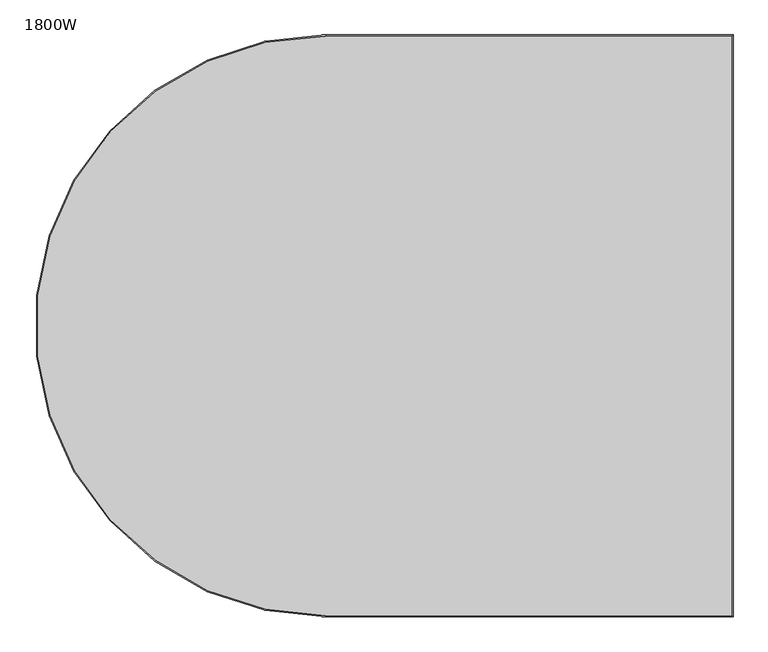
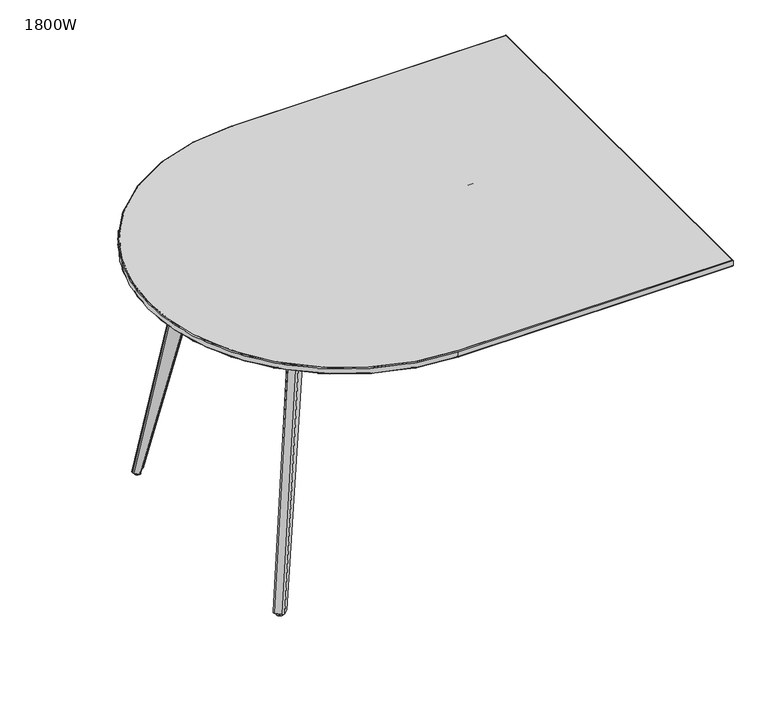
"""IFC4 building model written with IfcOpenShell, lengths in millimetres: furniture geometry, 1800W."""

from ifc_helpers import new_model, si_unit, point, frame, frame_2d, origin, place, context, project, spatial, polyline, circle_curve, ellipse_curve, trimmed, segment, composite_curve, outline, extrude, source, transform, mapped, element, save
from ifc_brep_helpers import plane_surface, cylinder_surface, revolved_surface, extruded_surface, advanced_brep


def furniture_1800w_015f33ed(model_context):
    return source(origin(), model_context, "Body", "SolidModel", [
        advanced_brep(
        [(350.1455768, -1082.8838605, 1023.0), (352.2668971, -1080.7625401, 1023.0), (352.2668971, -1073.6914723, 1023.0), (450.6568542, -975.3015152, 1023.0), (453.0, -969.6446609, 1023.0), (453.0, -750.0, 1023.0), (450.0, -750.0, 1023.0), (450.0, -969.6446609, 1023.0), (448.5355339, -973.1801948, 1023.0), (350.1455768, -1071.570152, 1023.0), (227.5771645, -1239.3933983, 11.0), (210.6066017, -1222.4228355, 11.0), (210.6066017, -1211.109127, 11.0), (226.3654565, -1195.3502722, 11.0), (228.4867769, -1197.4715925, 11.0), (212.7279221, -1213.2304474, 11.0), (212.7279221, -1220.3015152, 11.0), (229.6984848, -1237.2720779, 11.0), (236.7695526, -1237.2720779, 11.0), (252.5284075, -1221.5132231, 11.0), (254.6497278, -1223.6345435, 11.0), (238.890873, -1239.3933983, 11.0), (365.7372959, -1101.2332668, 1013.0), (348.7667332, -1084.2627041, 1013.0), (448.5355339, -973.1801948, 953.0), (412.9357324, -1008.7799963, 953.0), (378.5424527, -1043.173276, 914.5846719), (450.0, -969.6446609, 953.0), (450.0, -750.0, 953.0), (453.0, -750.0, 953.0), (453.0, -969.6446609, 953.0), (450.6568542, -975.3015152, 953.0), (380.6637731, -1045.2945964, 914.5846719), (415.0570528, -1010.9013167, 953.0), (350.8880535, -1082.1413837, 1013.0), (367.8586163, -1099.1119465, 1013.0), (374.9296841, -1099.1119465, 1013.0), (486.4142136, -987.627417, 1013.0), (486.4142136, -987.627417, 953.0), (439.0986833, -1034.9429472, 953.0), (404.7054036, -1069.3362269, 914.5846719), (487.0, -986.2132034, 1013.0), (487.0, -986.2132034, 953.0), (487.0, -750.0, 1013.0), (487.0, -750.0, 953.0), (490.0, -750.0, 1013.0), (490.0, -750.0, 953.0), (490.0, -986.2132034, 1013.0), (490.0, -986.2132034, 953.0), (488.5355339, -989.7487373, 1013.0), (488.5355339, -989.7487373, 953.0), (406.826724, -1071.4575473, 914.5846719), (441.2200037, -1037.0642676, 953.0), (377.0510044, -1101.2332668, 1013.0)],
        [
            (0, 1),
            (1, 2, circle_curve(frame((355.802431, -1077.2270062, 1023.0), z_axis=(0.0, 0.0, -1.0), x_axis=(1.0, 0.0, 0.0)), 5.0)),
            (2, 3),
            (3, 4, circle_curve(frame((445.0, -969.6446609, 1023.0), z_axis=(0.0, 0.0, 1.0), x_axis=(0.0, -1.0, 0.0)), 8.0)),
            (4, 5),
            (5, 6),
            (6, 7),
            (7, 8, circle_curve(frame((445.0, -969.6446609, 1023.0), z_axis=(0.0, 0.0, -1.0), x_axis=(0.7071067811865375, 0.7071067811865576, 0.0)), 5.0)),
            (8, 9),
            (9, 0, circle_curve(frame((355.802431, -1077.2270062, 1023.0), z_axis=(0.0, 0.0, 1.0), x_axis=(1.0, 0.0, 0.0)), 8.0)),
            (10, 11),
            (11, 12, circle_curve(frame((216.263456, -1216.7659813, 11.0), z_axis=(0.0, 0.0, -1.0), x_axis=(1.0, 0.0, 0.0)), 8.0)),
            (12, 13),
            (13, 14),
            (14, 15),
            (15, 16, circle_curve(frame((216.263456, -1216.7659813, 11.0), z_axis=(0.0, 0.0, 1.0), x_axis=(1.0, 0.0, 0.0)), 5.0)),
            (16, 17),
            (17, 18, circle_curve(frame((233.2340187, -1233.736544, 11.0), z_axis=(0.0, 0.0, 1.0), x_axis=(1.0, 0.0, 0.0)), 5.0)),
            (18, 19),
            (19, 20),
            (20, 21),
            (21, 10, circle_curve(frame((233.2340187, -1233.736544, 11.0), z_axis=(0.0, 0.0, -1.0), x_axis=(1.0, 0.0, 0.0)), 8.0)),
            (10, 22),
            (22, 23),
            (23, 11),
            (9, 12),
            (23, 0),
            (8, 24),
            (24, 25),
            (25, 26, circle_curve(frame((412.9357324, -1008.7799963, 903.0), z_axis=(0.7071067811865491, -0.7071067811865459, 0.0), x_axis=(-0.7071067811865459, -0.7071067811865491, 0.0)), 50.0)),
            (26, 13),
            (7, 27),
            (27, 24, circle_curve(frame((445.0, -969.6446609, 953.0), z_axis=(0.0, 0.0, -1.0), x_axis=(0.7071067811865375, 0.7071067811865576, 0.0)), 5.0)),
            (6, 28),
            (28, 27),
            (5, 29),
            (29, 28),
            (4, 30),
            (30, 29),
            (3, 31),
            (31, 30, circle_curve(frame((445.0, -969.6446609, 953.0), z_axis=(0.0, 0.0, 1.0), x_axis=(0.0, -1.0, 0.0)), 8.0)),
            (2, 15),
            (14, 32),
            (32, 33, circle_curve(frame((415.0570528, -1010.9013167, 903.0), z_axis=(-0.7071067811865491, 0.7071067811865459, 0.0), x_axis=(-0.7071067811865459, -0.7071067811865491, 0.0)), 50.0)),
            (33, 31),
            (1, 34),
            (34, 16),
            (34, 35),
            (35, 17),
            (35, 36, circle_curve(frame((371.3941502, -1095.5764126, 1013.0), z_axis=(0.0, 0.0, 1.0), x_axis=(1.0, 0.0, 0.0)), 5.0)),
            (36, 18),
            (36, 37),
            (37, 38),
            (38, 39),
            (39, 40, circle_curve(frame((439.0986833, -1034.9429472, 903.0), z_axis=(0.7071067811865491, -0.7071067811865459, 0.0), x_axis=(-0.7071067811865459, -0.7071067811865491, 0.0)), 50.0)),
            (40, 19),
            (37, 41, circle_curve(frame((485.0, -986.2132034, 1013.0), z_axis=(0.0, 0.0, 1.0), x_axis=(0.7071067811865439, 0.7071067811865511, 0.0)), 2.0)),
            (41, 42),
            (42, 38, circle_curve(frame((485.0, -986.2132034, 953.0), z_axis=(0.0, 0.0, -1.0), x_axis=(0.7071067811865439, 0.7071067811865511, 0.0)), 2.0)),
            (41, 43),
            (43, 44),
            (44, 42),
            (43, 45),
            (45, 46),
            (46, 44),
            (45, 47),
            (47, 48),
            (48, 46),
            (47, 49, circle_curve(frame((485.0, -986.2132034, 1013.0), z_axis=(0.0, 0.0, -1.0), x_axis=(0.0, -1.0, 0.0)), 5.0)),
            (49, 50),
            (50, 48, circle_curve(frame((485.0, -986.2132034, 953.0), z_axis=(0.0, 0.0, 1.0), x_axis=(0.0, -1.0, 0.0)), 5.0)),
            (20, 51),
            (51, 52, circle_curve(frame((441.2200037, -1037.0642676, 903.0), z_axis=(-0.7071067811865491, 0.7071067811865459, 0.0), x_axis=(-0.7071067811865459, -0.7071067811865491, 0.0)), 50.0)),
            (52, 50),
            (49, 53),
            (53, 21),
            (53, 22, circle_curve(frame((371.3941502, -1095.5764126, 1013.0), z_axis=(0.0, 0.0, -1.0), x_axis=(1.0, 0.0, 0.0)), 8.0)),
            (33, 25),
            (52, 39),
            (26, 32),
            (40, 51),
            (34, 23),
        ],
        [
            plane_surface(frame((426.5029529, -977.0828335, 1023.0), z_axis=(0.0, 0.0, 1.0000000000000002), x_axis=(-0.7071067811865492, 0.7071067811865459, 0.0))),
            plane_surface(frame((370.6873629, -1032.8984235, 11.0), z_axis=(0.0, 0.0, -1.0000000000000002), x_axis=(-0.7071067811865492, 0.7071067811865459, 0.0))),
            plane_surface(frame((219.0918831, -1230.9081169, 11.0), z_axis=(-0.6940348267306308, -0.6940348267306341, 0.19139309958815692), x_axis=(-0.7071067811865492, 0.7071067811865459, 0.0))),
            extruded_surface(trimmed(circle_curve(frame((355.802431, -1077.2270062, 1023.0), z_axis=(0.0, 0.0, -1.0), x_axis=(1.0, 0.0, 0.0)), 8.0), [point((350.1455768, -1082.8838605, 1023.0))], [point((350.1455768, -1071.570152, 1023.0))], True, "CARTESIAN"), (-139.53897500000002, -139.53897510000002, -1012.0), 1031.060740750034),
            plane_surface(frame((329.5710678, -1092.1446609, 11.0), z_axis=(-0.7071067811865491, 0.707106781186546, 0.0), x_axis=(0.707106781186546, 0.7071067811865491, 0.0))),
            revolved_surface(polyline([(448.5355339059327, -966.1091269940672, 1023.0), (448.5355339059327, -966.1091269940672, 953.0)]), (445.0, -969.6446609, 11.0), (0.0, 0.0, 1.0)),
            plane_surface(frame((450.0, -859.8223305, 11.0), z_axis=(-1.0, 0.0, 0.0), x_axis=(0.0, 1.0, 0.0))),
            plane_surface(frame((451.5, -750.0, 11.0), z_axis=(0.0, 1.0, 0.0), x_axis=(1.0, 0.0, 0.0))),
            plane_surface(frame((453.0, -859.8223305, 11.0), z_axis=(1.0, 0.0, 0.0), x_axis=(0.0, -1.0, 0.0))),
            cylinder_surface(frame((445.0, -969.6446609, 11.0), z_axis=(0.0, 0.0, 1.0), x_axis=(0.0, -1.0, 0.0)), 8.0),
            plane_surface(frame((331.6923882, -1094.2659813, 11.0), z_axis=(0.7071067811865491, -0.707106781186546, 0.0), x_axis=(-0.707106781186546, -0.7071067811865491, 0.0))),
            extruded_surface(trimmed(circle_curve(frame((355.802431, -1077.2270062, 1023.0), z_axis=(0.0, 0.0, 1.0), x_axis=(1.0, 0.0, 0.0)), 5.0), [point((352.2668971, -1073.6914723, 1023.0))], [point((352.2668971, -1080.7625401, 1023.0))], True, "CARTESIAN"), (-139.53897500000002, -139.53897510000002, -1012.0), 1031.060740750034),
            plane_surface(frame((221.2132034, -1228.7867966, 11.0), z_axis=(0.6940348267306308, 0.6940348267306341, -0.19139309958815692), x_axis=(0.7071067811865492, -0.7071067811865459, 0.0))),
            extruded_surface(trimmed(circle_curve(frame((372.7729938, -1094.197569, 1023.0), z_axis=(0.0, 0.0, 1.0), x_axis=(1.0, 0.0, 0.0)), 5.0), [point((369.2374599, -1097.7331029, 1023.0))], [point((376.3085277, -1097.7331029, 1023.0))], True, "CARTESIAN"), (-139.5389751, -139.53897500000016, -1012.0), 1031.0607407500343),
            plane_surface(frame((361.5918831, -1112.4497475, 11.0), z_axis=(-0.7071067811865491, 0.7071067811865459, 0.0), x_axis=(0.7071067811865459, 0.7071067811865491, 0.0))),
            revolved_surface(polyline([(486.4142135623731, -984.7989898376269, 1013.0), (486.4142135623731, -984.7989898376269, 953.0)]), (485.0, -986.2132034, 11.0), (0.0, 0.0, 1.0)),
            plane_surface(frame((487.0, -868.1066017, 11.0), z_axis=(-1.0, 0.0, 0.0), x_axis=(0.0, 1.0, 0.0))),
            plane_surface(frame((488.5, -750.0, 11.0), z_axis=(0.0, 1.0, 0.0), x_axis=(1.0, 0.0, 0.0))),
            plane_surface(frame((490.0, -868.1066017, 11.0), z_axis=(1.0, 0.0, 0.0), x_axis=(0.0, -1.0, 0.0))),
            cylinder_surface(frame((485.0, -986.2132034, 11.0), z_axis=(0.0, 0.0, 1.0), x_axis=(0.0, -1.0, 0.0)), 5.0),
            plane_surface(frame((363.7132034, -1114.5710678, 11.0), z_axis=(0.7071067811865491, -0.7071067811865459, 0.0), x_axis=(-0.7071067811865459, -0.7071067811865491, 0.0))),
            extruded_surface(trimmed(circle_curve(frame((372.7729938, -1094.197569, 1023.0), z_axis=(0.0, 0.0, -1.0), x_axis=(1.0, 0.0, 0.0)), 8.0), [point((378.429848, -1099.8544232, 1023.0))], [point((367.1161395, -1099.8544232, 1023.0))], True, "CARTESIAN"), (-139.5389751, -139.53897500000016, -1012.0), 1031.0607407500343),
            plane_surface(frame((490.0, -1000.0, 953.0), z_axis=(0.0, 0.0, -1.0), x_axis=(-1.0, 0.0, 0.0))),
            plane_surface(frame((272.1248917, -1241.5147186, 9.7975778), z_axis=(0.687865593883783, 0.6878655938837862, -0.23169343862487052), x_axis=(-0.7071067811865492, 0.7071067811865459, 0.0))),
            revolved_surface(polyline([(379.70171374067274, -1046.2566557593275, 903.0), (377.58039334067263, -1044.1353353593274, 903.0)]), (395.2580629, -991.1023268, 903.0), (0.7071067811865491, -0.7071067811865459, 0.0)),
            revolved_surface(polyline([(405.8646646406728, -1072.4196066593274, 903.0), (403.7433442406727, -1070.2982862593274, 903.0)]), (395.2580629, -991.1023268, 903.0), (0.7071067811865491, -0.7071067811865459, 0.0)),
            plane_surface(frame((458.0, -750.0, 1013.0), z_axis=(0.0, 0.0, 1.0), x_axis=(0.0, -1.0, 0.0))),
            plane_surface(frame((346.6100429, -1086.4193944, 1025.0), z_axis=(0.7071067811865482, -0.7071067811865468, 0.0), x_axis=(0.0, 0.0, -1.0))),
        ],
        [
            (0, [[1, 2, 3, 4, 5, 6, 7, 8, 9, 10]]),
            (1, [[11, 12, 13, 14, 15, 16, 17, 18, 19, 20, 21, 22]]),
            (2, [[23, 24, 25, -11]]),
            (3, [[26, -12, -25, 27, -10]]),
            (4, [[28, 29, 30, 31, -13, -26, -9]]),
            (5, [[32, 33, -28, -8]]),
            (6, [[34, 35, -32, -7]]),
            (7, [[36, 37, -34, -6]]),
            (8, [[38, 39, -36, -5]]),
            (9, [[40, 41, -38, -4]]),
            (10, [[42, -15, 43, 44, 45, -40, -3]]),
            (11, [[46, 47, -16, -42, -2]]),
            (12, [[-47, 48, 49, -17]]),
            (13, [[-49, 50, 51, -18]]),
            (14, [[-51, 52, 53, 54, 55, 56, -19]]),
            (15, [[-53, 57, 58, 59]]),
            (16, [[-58, 60, 61, 62]]),
            (17, [[-61, 63, 64, 65]]),
            (18, [[-64, 66, 67, 68]]),
            (19, [[-67, 69, 70, 71]]),
            (20, [[72, 73, 74, -70, 75, 76, -21]]),
            (21, [[-76, 77, -23, -22]]),
            (22, [[-39, -41, -45, 78, -29, -33, -35, -37]]),
            (22, [[-62, -65, -68, -71, -74, 79, -54, -59]]),
            (23, [[-43, -14, -31, 80]]),
            (23, [[-72, -20, -56, 81]]),
            (24, [[-30, -78, -44, -80]]),
            (25, [[-55, -79, -73, -81]]),
            (26, [[-24, -77, -75, -69, -66, -63, -60, -57, -52, -50, -48, 82]]),
            (27, [[-46, -1, -27, -82]]),
        ],
    ),
        advanced_brep(
        [(238.1837662, -1211.8162338, 8.0), (238.1837662, -1211.8162338, 1.0), (221.2132034, -1228.7867966, 1.0), (221.2132034, -1228.7867966, 8.0), (234.8247228, -1215.1752772, 8.0), (224.5722469, -1225.4277531, 8.0), (233.5820244, -1216.4179756, 11.0), (225.8149452, -1224.1850548, 11.0), (229.6984848, -1220.3015152, 11.0), (237.4766594, -1212.5233406, 0.0), (229.6984848, -1220.3015152, 0.0), (221.9203102, -1228.0796898, 0.0)],
        [
            (0, 1),
            (1, 2, circle_curve(frame((229.6984848, -1220.3015152, 1.0), z_axis=(0.0, 0.0, 1.0), x_axis=(-0.7071067811865459, -0.7071067811865491, 0.0)), 12.0)),
            (2, 3),
            (3, 0, circle_curve(frame((229.6984848, -1220.3015152, 8.0), z_axis=(0.0, 0.0, -1.0), x_axis=(-0.7071067811865459, -0.7071067811865491, 0.0)), 12.0)),
            (2, 1, circle_curve(frame((229.6984848, -1220.3015152, 1.0), z_axis=(0.0, 0.0, 1.0), x_axis=(-0.7071067811865459, -0.7071067811865491, 0.0)), 12.0)),
            (0, 3, circle_curve(frame((229.6984848, -1220.3015152, 8.0), z_axis=(0.0, 0.0, -1.0), x_axis=(-0.7071067811865459, -0.7071067811865491, 0.0)), 12.0)),
            (4, 0),
            (3, 5),
            (5, 4, circle_curve(frame((229.6984848, -1220.3015152, 8.0), z_axis=(0.0, 0.0, -1.0), x_axis=(-0.7071067811865459, -0.7071067811865491, 0.0)), 7.2495952)),
            (4, 5, circle_curve(frame((229.6984848, -1220.3015152, 8.0), z_axis=(0.0, 0.0, -1.0), x_axis=(-0.7071067811865459, -0.7071067811865491, 0.0)), 7.2495952)),
            (6, 4),
            (5, 7),
            (7, 6, circle_curve(frame((229.6984848, -1220.3015152, 11.0), z_axis=(0.0, 0.0, -1.0), x_axis=(-0.7071067811865459, -0.7071067811865491, 0.0)), 5.4921544)),
            (6, 7, circle_curve(frame((229.6984848, -1220.3015152, 11.0), z_axis=(0.0, 0.0, -1.0), x_axis=(-0.7071067811865459, -0.7071067811865491, 0.0)), 5.4921544)),
            (8, 6),
            (7, 8),
            (9, 10),
            (10, 11),
            (11, 9, circle_curve(frame((229.6984848, -1220.3015152, 0.0), z_axis=(0.0, 0.0, -1.0), x_axis=(-0.7071067811865459, -0.7071067811865491, 0.0)), 11.0)),
            (9, 11, circle_curve(frame((229.6984848, -1220.3015152, 0.0), z_axis=(0.0, 0.0, -1.0), x_axis=(-0.7071067811865459, -0.7071067811865491, 0.0)), 11.0)),
            (1, 9, circle_curve(frame((237.4766594, -1212.5233406, 1.0), z_axis=(-0.7071067811865515, 0.7071067811865436, 0.0), x_axis=(0.7071067811865436, 0.7071067811865515, 0.0)), 1.0)),
            (11, 2, circle_curve(frame((221.9203102, -1228.0796898, 1.0), z_axis=(-0.7071067811865491, 0.7071067811865459, 0.0), x_axis=(-0.7071067811865459, -0.7071067811865491, 0.0)), 1.0)),
        ],
        [
            cylinder_surface(frame((229.6984848, -1220.3015152, -11.0819101), z_axis=(0.0, 0.0, 1.0), x_axis=(-0.7071067811865459, -0.7071067811865491, 0.0)), 12.0),
            plane_surface(frame((229.6984848, -1220.3015152, 8.0), z_axis=(0.0, 0.0, 1.0), x_axis=(-0.7071067811865459, -0.7071067811865491, 0.0))),
            revolved_surface(polyline([(224.5722469, -1225.4277531, 8.0), (225.8149452, -1224.1850548, 11.0)]), (229.6984848, -1220.3015152, -11.0819101), (0.0, 0.0, 1.0)),
            plane_surface(frame((229.6984848, -1220.3015152, 11.0), z_axis=(0.0, 0.0, 1.0), x_axis=(-0.7071067811865459, -0.7071067811865491, 0.0))),
            plane_surface(frame((229.6984848, -1220.3015152, 0.0), z_axis=(0.0, 0.0, -1.0), x_axis=(-0.7071067811865459, -0.7071067811865491, 0.0))),
            revolved_surface(trimmed(ellipse_curve(frame((221.9203102, -1228.0796898, 1.0), z_axis=(-0.7071067811865491, 0.7071067811865459, 0.0), x_axis=(-0.7071067811865459, -0.7071067811865491, 0.0)), 1.0, 1.0), [point((221.9203102, -1228.0796898, 0.0))], [point((221.2132034, -1228.7867966, 1.0))], True, "CARTESIAN"), (229.6984848, -1220.3015152, -11.0819101), (0.0, 0.0, 1.0)),
        ],
        [
            (0, [[1, 2, 3, 4]]),
            (0, [[-3, 5, -1, 6]]),
            (1, [[7, -4, 8, 9]]),
            (1, [[-8, -6, -7, 10]]),
            (2, [[11, -9, 12, 13]]),
            (2, [[-12, -10, -11, 14]]),
            (3, [[15, -13, 16]]),
            (3, [[-16, -14, -15]]),
            (4, [[17, 18, 19]]),
            (4, [[-18, -17, 20]]),
            (5, [[21, -19, 22, -2]]),
            (5, [[-22, -20, -21, -5]]),
        ],
    ),
        extrude(outline(composite_curve([segment(polyline([(74.548028, 0.0), (74.5477459, -1.5), (0.0994088, -1.5)]), True, "CONTINUOUS"), segment(trimmed(circle_curve(frame_2d((0.0994088, -3.0)), 1.5), [point((0.0994088, -1.5))], [point((-1.3949484, -3.1299876))], True, "CARTESIAN"), True, "CONTINUOUS"), segment(polyline([(-1.3949484, -3.1299876), (0.1703247, -21.1245974), (-1.3240324, -21.254585), (-2.8893055, -3.2599753)]), True, "CONTINUOUS"), segment(trimmed(circle_curve(frame_2d((0.0994088, -3.0)), 3.0), [point((-2.8893055, -3.2599753))], [point((0.0994088, 1e-07))], False, "CARTESIAN"), True, "CONTINUOUS"), segment(polyline([(0.0994088, 1e-07), (74.548028, 0.0)]), True, "CONTINUOUS")], self_intersect=False)), frame((227.619512, -301.6611426, 14.8957476), z_axis=(0.7071067811865491, 0.7071067811865459, 0.0), x_axis=(-0.0612767651045797, 0.06127676510457999, 0.996238082044968)), (0.0, 0.0, 1.0), 34.0),
        extrude(outline(polyline([(236.7910648, 0.0), (236.7910648, -12.0), (204.7910648, -12.0), (204.7910648, -20.0), (201.7910648, -20.0), (201.7910648, -6.0005467), (193.7809085, -6.0005467), (193.7809085, -20.0), (190.7073419, -20.0), (190.7073419, -5.4412143), (188.2821866, -3.0005467), (186.7910648, -3.0005467), (186.7910648, 0.0), (236.7910648, 0.0)])), frame((621.2040941, -352.8375364, 1025.0), z_axis=(-0.7071067811865459, 0.7071067811865492, 0.0), x_axis=(-0.7071067811865492, -0.7071067811865459, 0.0)), (0.0, 0.0, 1.0), 100.0),
        extrude(outline(composite_curve([segment(trimmed(circle_curve(frame_2d((485.0, -513.7867966)), 2.0), [point((486.4142136, -512.372583))], [point((487.0, -513.7867966))], False, "CARTESIAN"), True, "CONTINUOUS"), segment(polyline([(487.0, -513.7867966), (487.0, -750.0), (453.0, -750.0), (453.0, -530.3553391)]), True, "CONTINUOUS"), segment(trimmed(circle_curve(frame_2d((445.0, -530.3553391)), 8.0), [point((453.0, -530.3553391))], [point((450.6568542, -524.6984848))], True, "CARTESIAN"), True, "CONTINUOUS"), segment(polyline([(450.6568542, -524.6984848), (350.8869021, -424.9285327)]), True, "CONTINUOUS"), segment(trimmed(circle_curve(frame_2d((354.422436, -421.3929988)), 5.0), [point((350.8869021, -424.9285327))], [point((350.8869021, -417.8574648))], False, "CARTESIAN"), True, "CONTINUOUS"), segment(polyline([(350.8869021, -417.8574648), (367.8574648, -400.8869021)]), True, "CONTINUOUS"), segment(trimmed(circle_curve(frame_2d((371.3929988, -404.422436)), 5.0), [point((367.8574648, -400.8869021))], [point((374.9285327, -400.8869021))], False, "CARTESIAN"), True, "CONTINUOUS"), segment(polyline([(374.9285327, -400.8869021), (486.4142136, -512.372583)]), True, "CONTINUOUS")], self_intersect=False)), frame((0.0, 0.0, 958.0), z_axis=(0.0, 0.0, 1.0), x_axis=(1.0, 0.0, 0.0)), (0.0, 0.0, 1.0), 55.0),
        advanced_brep(
        [(350.1455768, -417.1161395, 1023.0), (350.1455768, -428.429848, 1023.0), (448.5355339, -526.8198052, 1023.0), (450.0, -530.3553391, 1023.0), (450.0, -750.0, 1023.0), (453.0, -750.0, 1023.0), (453.0, -530.3553391, 1023.0), (450.6568542, -524.6984848, 1023.0), (352.2668971, -426.3085277, 1023.0), (352.2668971, -419.2374599, 1023.0), (227.5771645, -260.6066017, 11.0), (238.890873, -260.6066017, 11.0), (254.6497278, -276.3654565, 11.0), (252.5284075, -278.4867769, 11.0), (236.7695526, -262.7279221, 11.0), (229.6984848, -262.7279221, 11.0), (212.7279221, -279.6984848, 11.0), (212.7279221, -286.7695526, 11.0), (228.4867769, -302.5284075, 11.0), (226.3654565, -304.6497278, 11.0), (210.6066017, -288.890873, 11.0), (210.6066017, -277.5771645, 11.0), (348.7667332, -415.7372959, 1013.0), (365.7372959, -398.7667332, 1013.0), (378.5424527, -456.826724, 914.5846719), (412.9357324, -491.2200037, 953.0), (448.5355339, -526.8198052, 953.0), (450.0, -530.3553391, 953.0), (450.0, -750.0, 953.0), (453.0, -750.0, 953.0), (453.0, -530.3553391, 953.0), (450.6568542, -524.6984848, 953.0), (415.0570528, -489.0986833, 953.0), (380.6637731, -454.7054036, 914.5846719), (350.8880535, -417.8586163, 1013.0), (367.8586163, -400.8880535, 1013.0), (374.9296841, -400.8880535, 1013.0), (404.7054036, -430.6637731, 914.5846719), (439.0986833, -465.0570528, 953.0), (486.4142136, -512.372583, 953.0), (486.4142136, -512.372583, 1013.0), (487.0, -513.7867966, 953.0), (487.0, -513.7867966, 1013.0), (487.0, -750.0, 953.0), (487.0, -750.0, 1013.0), (490.0, -750.0, 953.0), (490.0, -750.0, 1013.0), (490.0, -513.7867966, 953.0), (490.0, -513.7867966, 1013.0), (488.5355339, -510.2512627, 953.0), (488.5355339, -510.2512627, 1013.0), (377.0510044, -398.7667332, 1013.0), (441.2200037, -462.9357324, 953.0), (406.826724, -428.5424527, 914.5846719)],
        [
            (0, 1, circle_curve(frame((355.802431, -422.7729938, 1023.0), z_axis=(0.0, 0.0, 1.0), x_axis=(1.0, 0.0, 0.0)), 8.0)),
            (1, 2),
            (2, 3, circle_curve(frame((445.0, -530.3553391, 1023.0), z_axis=(0.0, 0.0, -1.0), x_axis=(0.7071067811865375, -0.7071067811865576, 0.0)), 5.0)),
            (3, 4),
            (4, 5),
            (5, 6),
            (6, 7, circle_curve(frame((445.0, -530.3553391, 1023.0), z_axis=(0.0, 0.0, 1.0), x_axis=(0.0, 1.0, 0.0)), 8.0)),
            (7, 8),
            (8, 9, circle_curve(frame((355.802431, -422.7729938, 1023.0), z_axis=(0.0, 0.0, -1.0), x_axis=(1.0, 0.0, 0.0)), 5.0)),
            (9, 0),
            (10, 11, circle_curve(frame((233.2340187, -266.263456, 11.0), z_axis=(0.0, 0.0, -1.0), x_axis=(1.0, 0.0, 0.0)), 8.0)),
            (11, 12),
            (12, 13),
            (13, 14),
            (14, 15, circle_curve(frame((233.2340187, -266.263456, 11.0), z_axis=(0.0, 0.0, 1.0), x_axis=(1.0, 0.0, 0.0)), 5.0)),
            (15, 16),
            (16, 17, circle_curve(frame((216.263456, -283.2340187, 11.0), z_axis=(0.0, 0.0, 1.0), x_axis=(1.0, 0.0, 0.0)), 5.0)),
            (17, 18),
            (18, 19),
            (19, 20),
            (20, 21, circle_curve(frame((216.263456, -283.2340187, 11.0), z_axis=(0.0, 0.0, -1.0), x_axis=(1.0, 0.0, 0.0)), 8.0)),
            (21, 10),
            (21, 22),
            (22, 23),
            (23, 10),
            (0, 22),
            (20, 1),
            (19, 24),
            (24, 25, circle_curve(frame((412.9357324, -491.2200037, 903.0), z_axis=(0.7071067811865491, 0.7071067811865459, 0.0), x_axis=(-0.7071067811865459, 0.7071067811865491, 0.0)), 50.0)),
            (25, 26),
            (26, 2),
            (26, 27, circle_curve(frame((445.0, -530.3553391, 953.0), z_axis=(0.0, 0.0, -1.0), x_axis=(0.7071067811865375, -0.7071067811865576, 0.0)), 5.0)),
            (27, 3),
            (27, 28),
            (28, 4),
            (28, 29),
            (29, 5),
            (29, 30),
            (30, 6),
            (30, 31, circle_curve(frame((445.0, -530.3553391, 953.0), z_axis=(0.0, 0.0, 1.0), x_axis=(0.0, 1.0, 0.0)), 8.0)),
            (31, 7),
            (31, 32),
            (32, 33, circle_curve(frame((415.0570528, -489.0986833, 903.0), z_axis=(-0.7071067811865491, -0.7071067811865459, 0.0), x_axis=(-0.7071067811865459, 0.7071067811865491, 0.0)), 50.0)),
            (33, 18),
            (17, 8),
            (16, 34),
            (34, 9),
            (15, 35),
            (35, 34),
            (14, 36),
            (36, 35, circle_curve(frame((371.3941502, -404.4235874, 1013.0), z_axis=(0.0, 0.0, 1.0), x_axis=(1.0, 0.0, 0.0)), 5.0)),
            (13, 37),
            (37, 38, circle_curve(frame((439.0986833, -465.0570528, 903.0), z_axis=(0.7071067811865491, 0.7071067811865459, 0.0), x_axis=(-0.7071067811865459, 0.7071067811865491, 0.0)), 50.0)),
            (38, 39),
            (39, 40),
            (40, 36),
            (39, 41, circle_curve(frame((485.0, -513.7867966, 953.0), z_axis=(0.0, 0.0, -1.0), x_axis=(0.7071067811865439, -0.7071067811865511, 0.0)), 2.0)),
            (41, 42),
            (42, 40, circle_curve(frame((485.0, -513.7867966, 1013.0), z_axis=(0.0, 0.0, 1.0), x_axis=(0.7071067811865439, -0.7071067811865511, 0.0)), 2.0)),
            (41, 43),
            (43, 44),
            (44, 42),
            (43, 45),
            (45, 46),
            (46, 44),
            (45, 47),
            (47, 48),
            (48, 46),
            (47, 49, circle_curve(frame((485.0, -513.7867966, 953.0), z_axis=(0.0, 0.0, 1.0), x_axis=(0.0, 1.0, 0.0)), 5.0)),
            (49, 50),
            (50, 48, circle_curve(frame((485.0, -513.7867966, 1013.0), z_axis=(0.0, 0.0, -1.0), x_axis=(0.0, 1.0, 0.0)), 5.0)),
            (11, 51),
            (51, 50),
            (49, 52),
            (52, 53, circle_curve(frame((441.2200037, -462.9357324, 903.0), z_axis=(-0.7071067811865491, -0.7071067811865459, 0.0), x_axis=(-0.7071067811865459, 0.7071067811865491, 0.0)), 50.0)),
            (53, 12),
            (23, 51, circle_curve(frame((371.3941502, -404.4235874, 1013.0), z_axis=(0.0, 0.0, -1.0), x_axis=(1.0, 0.0, 0.0)), 8.0)),
            (25, 32),
            (38, 52),
            (33, 24),
            (53, 37),
            (22, 34),
        ],
        [
            plane_surface(frame((426.5029529, -522.9171665, 1023.0), z_axis=(0.0, 0.0, 1.0000000000000002), x_axis=(-0.7071067811865492, -0.7071067811865459, 0.0))),
            plane_surface(frame((370.6873629, -467.1015765, 11.0), z_axis=(0.0, 0.0, -1.0000000000000002), x_axis=(-0.7071067811865492, -0.7071067811865459, 0.0))),
            plane_surface(frame((219.0918831, -269.0918831, 11.0), z_axis=(-0.6940348267306308, 0.6940348267306341, 0.19139309958815692), x_axis=(-0.7071067811865492, -0.7071067811865459, 0.0))),
            extruded_surface(trimmed(circle_curve(frame((216.263456, -283.2340187, 11.0), z_axis=(0.0, 0.0, 1.0), x_axis=(1.0, 0.0, 0.0)), 8.0), [point((210.6066017, -277.5771645, 11.0))], [point((210.6066017, -288.890873, 11.0))], True, "CARTESIAN"), (139.53897500000002, -139.53897510000002, 1012.0), 1031.060740750034),
            plane_surface(frame((329.5710678, -407.8553391, 11.0), z_axis=(-0.7071067811865491, -0.707106781186546, 0.0), x_axis=(0.707106781186546, -0.7071067811865491, 0.0))),
            revolved_surface(polyline([(448.5355339059327, -533.8908730059328, 1023.0), (448.5355339059327, -533.8908730059328, 953.0)]), (445.0, -530.3553391, 11.0), (0.0, 0.0, 1.0)),
            plane_surface(frame((450.0, -640.1776695, 11.0), z_axis=(-1.0, 0.0, 0.0), x_axis=(0.0, -1.0, 0.0))),
            plane_surface(frame((451.5, -750.0, 11.0), z_axis=(0.0, -1.0, 0.0), x_axis=(1.0, 0.0, 0.0))),
            plane_surface(frame((453.0, -640.1776695, 11.0), z_axis=(1.0, 0.0, 0.0), x_axis=(0.0, 1.0, 0.0))),
            cylinder_surface(frame((445.0, -530.3553391, 11.0), z_axis=(0.0, 0.0, 1.0), x_axis=(0.0, 1.0, 0.0)), 8.0),
            plane_surface(frame((331.6923882, -405.7340187, 11.0), z_axis=(0.7071067811865491, 0.707106781186546, 0.0), x_axis=(-0.707106781186546, 0.7071067811865491, 0.0))),
            extruded_surface(trimmed(circle_curve(frame((216.263456, -283.2340187, 11.0), z_axis=(0.0, 0.0, -1.0), x_axis=(1.0, 0.0, 0.0)), 5.0), [point((212.7279221, -286.7695526, 11.0))], [point((212.7279221, -279.6984848, 11.0))], True, "CARTESIAN"), (139.53897500000002, -139.53897510000002, 1012.0), 1031.060740750034),
            plane_surface(frame((221.2132034, -271.2132034, 11.0), z_axis=(0.6940348267306308, -0.6940348267306341, -0.19139309958815692), x_axis=(0.7071067811865492, 0.7071067811865459, 0.0))),
            extruded_surface(trimmed(circle_curve(frame((233.2340187, -266.263456, 11.0), z_axis=(0.0, 0.0, -1.0), x_axis=(1.0, 0.0, 0.0)), 5.0), [point((229.6984848, -262.7279221, 11.0))], [point((236.7695526, -262.7279221, 11.0))], True, "CARTESIAN"), (139.5389751, -139.538975, 1012.0), 1031.060740750034),
            plane_surface(frame((361.5918831, -387.5502525, 11.0), z_axis=(-0.7071067811865491, -0.7071067811865459, 0.0), x_axis=(0.7071067811865459, -0.7071067811865491, 0.0))),
            revolved_surface(polyline([(486.4142135623731, -515.2010101623731, 1013.0), (486.4142135623731, -515.2010101623731, 953.0)]), (485.0, -513.7867966, 11.0), (0.0, 0.0, 1.0)),
            plane_surface(frame((487.0, -631.8933983, 11.0), z_axis=(-1.0, 0.0, 0.0), x_axis=(0.0, -1.0, 0.0))),
            plane_surface(frame((488.5, -750.0, 11.0), z_axis=(0.0, -1.0, 0.0), x_axis=(1.0, 0.0, 0.0))),
            plane_surface(frame((490.0, -631.8933983, 11.0), z_axis=(1.0, 0.0, 0.0), x_axis=(0.0, 1.0, 0.0))),
            cylinder_surface(frame((485.0, -513.7867966, 11.0), z_axis=(0.0, 0.0, 1.0), x_axis=(0.0, 1.0, 0.0)), 5.0),
            plane_surface(frame((363.7132034, -385.4289322, 11.0), z_axis=(0.7071067811865491, 0.7071067811865459, 0.0), x_axis=(-0.7071067811865459, 0.7071067811865491, 0.0))),
            extruded_surface(trimmed(circle_curve(frame((233.2340187, -266.263456, 11.0), z_axis=(0.0, 0.0, 1.0), x_axis=(1.0, 0.0, 0.0)), 8.0), [point((238.890873, -260.6066017, 11.0))], [point((227.5771645, -260.6066017, 11.0))], True, "CARTESIAN"), (139.5389751, -139.538975, 1012.0), 1031.060740750034),
            plane_surface(frame((490.0, -500.0, 953.0), z_axis=(0.0, 0.0, -1.0), x_axis=(-1.0, 0.0, 0.0))),
            plane_surface(frame((272.1248917, -258.4852814, 9.7975778), z_axis=(0.687865593883783, -0.6878655938837862, -0.23169343862487052), x_axis=(-0.7071067811865492, -0.7071067811865459, 0.0))),
            revolved_surface(polyline([(379.70171374067274, -453.7433442406726, 903.0), (377.58039334067263, -455.8646646406727, 903.0)]), (395.2580629, -508.8976732, 903.0), (0.7071067811865491, 0.7071067811865459, 0.0)),
            revolved_surface(polyline([(405.8646646406728, -427.5803933406727, 903.0), (403.7433442406727, -429.70171374067274, 903.0)]), (395.2580629, -508.8976732, 903.0), (0.7071067811865491, 0.7071067811865459, 0.0)),
            plane_surface(frame((458.0, -750.0, 1013.0), z_axis=(0.0, 0.0, 1.0), x_axis=(0.0, 1.0, 0.0))),
            plane_surface(frame((346.6100429, -413.5806056, 1025.0), z_axis=(0.7071067811865482, 0.7071067811865468, 0.0), x_axis=(0.0, 0.0, -1.0))),
        ],
        [
            (0, [[1, 2, 3, 4, 5, 6, 7, 8, 9, 10]]),
            (1, [[11, 12, 13, 14, 15, 16, 17, 18, 19, 20, 21, 22]]),
            (2, [[-22, 23, 24, 25]]),
            (3, [[-1, 26, -23, -21, 27]]),
            (4, [[-2, -27, -20, 28, 29, 30, 31]]),
            (5, [[-3, -31, 32, 33]]),
            (6, [[-4, -33, 34, 35]]),
            (7, [[-5, -35, 36, 37]]),
            (8, [[-6, -37, 38, 39]]),
            (9, [[-7, -39, 40, 41]]),
            (10, [[-8, -41, 42, 43, 44, -18, 45]]),
            (11, [[-9, -45, -17, 46, 47]]),
            (12, [[-16, 48, 49, -46]]),
            (13, [[-15, 50, 51, -48]]),
            (14, [[-14, 52, 53, 54, 55, 56, -50]]),
            (15, [[57, 58, 59, -55]]),
            (16, [[60, 61, 62, -58]]),
            (17, [[63, 64, 65, -61]]),
            (18, [[66, 67, 68, -64]]),
            (19, [[69, 70, 71, -67]]),
            (20, [[-12, 72, 73, -70, 74, 75, 76]]),
            (21, [[-11, -25, 77, -72]]),
            (22, [[-36, -34, -32, -30, 78, -42, -40, -38]]),
            (22, [[-57, -54, 79, -74, -69, -66, -63, -60]]),
            (23, [[80, -28, -19, -44]]),
            (23, [[81, -52, -13, -76]]),
            (24, [[-80, -43, -78, -29]]),
            (25, [[-81, -75, -79, -53]]),
            (26, [[82, -49, -51, -56, -59, -62, -65, -68, -71, -73, -77, -24]]),
            (27, [[-82, -26, -10, -47]]),
        ],
    ),
        advanced_brep(
        [(238.1837662, -288.1837662, 8.0), (221.2132034, -271.2132034, 8.0), (221.2132034, -271.2132034, 1.0), (238.1837662, -288.1837662, 1.0), (234.8247228, -284.8247228, 8.0), (224.5722469, -274.5722469, 8.0), (233.5820244, -283.5820244, 11.0), (225.8149452, -275.8149452, 11.0), (229.6984848, -279.6984848, 11.0), (237.4766594, -287.4766594, 0.0), (221.9203102, -271.9203102, 0.0), (229.6984848, -279.6984848, 0.0)],
        [
            (0, 1, circle_curve(frame((229.6984848, -279.6984848, 8.0), z_axis=(0.0, 0.0, -1.0), x_axis=(-0.7071067811865459, 0.7071067811865491, 0.0)), 12.0)),
            (1, 2),
            (2, 3, circle_curve(frame((229.6984848, -279.6984848, 1.0), z_axis=(0.0, 0.0, 1.0), x_axis=(-0.7071067811865459, 0.7071067811865491, 0.0)), 12.0)),
            (3, 0),
            (1, 0, circle_curve(frame((229.6984848, -279.6984848, 8.0), z_axis=(0.0, 0.0, -1.0), x_axis=(-0.7071067811865459, 0.7071067811865491, 0.0)), 12.0)),
            (3, 2, circle_curve(frame((229.6984848, -279.6984848, 1.0), z_axis=(0.0, 0.0, 1.0), x_axis=(-0.7071067811865459, 0.7071067811865491, 0.0)), 12.0)),
            (4, 5, circle_curve(frame((229.6984848, -279.6984848, 8.0), z_axis=(0.0, 0.0, -1.0), x_axis=(-0.7071067811865459, 0.7071067811865491, 0.0)), 7.2495952)),
            (5, 1),
            (0, 4),
            (5, 4, circle_curve(frame((229.6984848, -279.6984848, 8.0), z_axis=(0.0, 0.0, -1.0), x_axis=(-0.7071067811865459, 0.7071067811865491, 0.0)), 7.2495952)),
            (6, 7, circle_curve(frame((229.6984848, -279.6984848, 11.0), z_axis=(0.0, 0.0, -1.0), x_axis=(-0.7071067811865459, 0.7071067811865491, 0.0)), 5.4921544)),
            (7, 5),
            (4, 6),
            (7, 6, circle_curve(frame((229.6984848, -279.6984848, 11.0), z_axis=(0.0, 0.0, -1.0), x_axis=(-0.7071067811865459, 0.7071067811865491, 0.0)), 5.4921544)),
            (8, 7),
            (6, 8),
            (9, 10, circle_curve(frame((229.6984848, -279.6984848, 0.0), z_axis=(0.0, 0.0, -1.0), x_axis=(-0.7071067811865459, 0.7071067811865491, 0.0)), 11.0)),
            (10, 11),
            (11, 9),
            (10, 9, circle_curve(frame((229.6984848, -279.6984848, 0.0), z_axis=(0.0, 0.0, -1.0), x_axis=(-0.7071067811865459, 0.7071067811865491, 0.0)), 11.0)),
            (2, 10, circle_curve(frame((221.9203102, -271.9203102, 1.0), z_axis=(-0.7071067811865491, -0.7071067811865459, 0.0), x_axis=(-0.7071067811865459, 0.7071067811865491, 0.0)), 1.0)),
            (9, 3, circle_curve(frame((237.4766594, -287.4766594, 1.0), z_axis=(-0.7071067811865515, -0.7071067811865436, 0.0), x_axis=(0.7071067811865436, -0.7071067811865515, 0.0)), 1.0)),
        ],
        [
            cylinder_surface(frame((229.6984848, -279.6984848, -11.0819101), z_axis=(0.0, 0.0, 1.0), x_axis=(-0.7071067811865459, 0.7071067811865491, 0.0)), 12.0),
            plane_surface(frame((229.6984848, -279.6984848, 8.0), z_axis=(0.0, 0.0, 1.0), x_axis=(-0.7071067811865459, 0.7071067811865491, 0.0))),
            revolved_surface(polyline([(224.5722469, -274.5722469, 8.0), (225.8149452, -275.8149452, 11.0)]), (229.6984848, -279.6984848, -11.0819101), (0.0, 0.0, 1.0)),
            plane_surface(frame((229.6984848, -279.6984848, 11.0), z_axis=(0.0, 0.0, 1.0), x_axis=(-0.7071067811865459, 0.7071067811865491, 0.0))),
            plane_surface(frame((229.6984848, -279.6984848, 0.0), z_axis=(0.0, 0.0, -1.0), x_axis=(-0.7071067811865459, 0.7071067811865491, 0.0))),
            revolved_surface(trimmed(ellipse_curve(frame((221.9203102, -271.9203102, 1.0), z_axis=(0.7071067811865491, 0.7071067811865459, 0.0), x_axis=(-0.7071067811865459, 0.7071067811865491, 0.0)), 1.0, 1.0), [point((221.9203102, -271.9203102, 0.0))], [point((221.2132034, -271.2132034, 1.0))], True, "CARTESIAN"), (229.6984848, -279.6984848, -11.0819101), (0.0, 0.0, 1.0)),
        ],
        [
            (0, [[1, 2, 3, 4]]),
            (0, [[5, -4, 6, -2]]),
            (1, [[7, 8, -1, 9]]),
            (1, [[10, -9, -5, -8]]),
            (2, [[11, 12, -7, 13]]),
            (2, [[14, -13, -10, -12]]),
            (3, [[15, -11, 16]]),
            (3, [[-16, -14, -15]]),
            (4, [[17, 18, 19]]),
            (4, [[20, -19, -18]]),
            (5, [[-3, 21, -17, 22]]),
            (5, [[-6, -22, -20, -21]]),
        ],
    ),
        extrude(outline(composite_curve([segment(polyline([(-580.0, 1013.0), (-550.0, 1013.0)]), True, "CONTINUOUS"), segment(trimmed(circle_curve(frame_2d((-550.0, 1008.0)), 5.0), [point((-550.0, 1013.0))], [point((-545.0, 1008.0))], False, "CARTESIAN"), True, "CONTINUOUS"), segment(polyline([(-545.0, 1008.0), (-545.0, 968.0)]), True, "CONTINUOUS"), segment(trimmed(circle_curve(frame_2d((-550.0, 968.0)), 5.0), [point((-545.0, 968.0))], [point((-550.0, 963.0))], False, "CARTESIAN"), True, "CONTINUOUS"), segment(polyline([(-550.0, 963.0), (-580.0, 963.0)]), True, "CONTINUOUS"), segment(trimmed(circle_curve(frame_2d((-580.0, 968.0)), 5.0), [point((-580.0, 963.0))], [point((-585.0, 968.0))], False, "CARTESIAN"), True, "CONTINUOUS"), segment(polyline([(-585.0, 968.0), (-585.0, 1008.0)]), True, "CONTINUOUS"), segment(trimmed(circle_curve(frame_2d((-580.0, 1008.0)), 5.0), [point((-585.0, 1008.0))], [point((-580.0, 1013.0))], False, "CARTESIAN"), True, "CONTINUOUS")], self_intersect=False)), frame((490.0, 0.0, 0.0), z_axis=(1.0, 0.0, 0.0), x_axis=(0.0, 1.0, 0.0)), (0.0, 0.0, 1.0), 1020.0),
        extrude(outline(composite_curve([segment(trimmed(circle_curve(frame_2d((-920.0, 1008.0)), 5.0), [point((-920.0, 1013.0))], [point((-915.0, 1008.0))], False, "CARTESIAN"), True, "CONTINUOUS"), segment(polyline([(-915.0, 1008.0), (-915.0, 968.0)]), True, "CONTINUOUS"), segment(trimmed(circle_curve(frame_2d((-920.0, 968.0)), 5.0), [point((-915.0, 968.0))], [point((-920.0, 963.0))], False, "CARTESIAN"), True, "CONTINUOUS"), segment(polyline([(-920.0, 963.0), (-950.0, 963.0)]), True, "CONTINUOUS"), segment(trimmed(circle_curve(frame_2d((-950.0, 968.0)), 5.0), [point((-950.0, 963.0))], [point((-955.0, 968.0))], False, "CARTESIAN"), True, "CONTINUOUS"), segment(polyline([(-955.0, 968.0), (-955.0, 1008.0)]), True, "CONTINUOUS"), segment(trimmed(circle_curve(frame_2d((-950.0, 1008.0)), 5.0), [point((-955.0, 1008.0))], [point((-950.0, 1013.0))], False, "CARTESIAN"), True, "CONTINUOUS"), segment(polyline([(-950.0, 1013.0), (-920.0, 1013.0)]), True, "CONTINUOUS")], self_intersect=False)), frame((490.0, 0.0, 0.0), z_axis=(1.0, 0.0, 0.0), x_axis=(0.0, 1.0, 0.0)), (0.0, 0.0, 1.0), 1020.0),
        extrude(outline(composite_curve([segment(polyline([(750.0, -3.0), (1797.0, -3.0), (1797.0, -1497.0), (750.0, -1497.0)]), True, "CONTINUOUS"), segment(trimmed(circle_curve(frame_2d((750.0, -750.0)), 747.0), [point((750.0, -1497.0))], [point((750.0, -3.0))], False, "CARTESIAN"), True, "CONTINUOUS")], self_intersect=False)), frame((0.0, 0.0, 1025.0), z_axis=(0.0, 0.0, 1.0), x_axis=(1.0, 0.0, 0.0)), (0.0, 0.0, 1.0), 25.0),
        advanced_brep(
        [(1800.0, -1500.0, 1028.0), (1800.0, -1500.0, 1047.0), (750.0, -1500.0, 1047.0), (750.0, -1500.0, 1028.0), (1797.0, -1497.0, 1025.0), (750.0, -1497.0, 1025.0), (1797.0, -1497.0, 1050.0), (750.0, -1497.0, 1050.0), (750.0, 0.0, 1028.0), (750.0, 0.0, 1047.0), (750.0, -3.0, 1025.0), (750.0, -3.0, 1050.0), (1800.0, 0.0, 1047.0), (1800.0, 0.0, 1028.0), (1797.0, -3.0, 1025.0), (1797.0, -3.0, 1050.0)],
        [
            (0, 1),
            (1, 2),
            (2, 3),
            (3, 0),
            (4, 0, ellipse_curve(frame((1797.0, -1497.0, 1028.0), z_axis=(-0.7071067811865475, -0.7071067811865475, 0.0), x_axis=(0.7071067811865476, -0.7071067811865474, 0.0)), 4.2426407, 3.0)),
            (3, 5, circle_curve(frame((750.0, -1497.0, 1028.0), z_axis=(1.0, 0.0, 0.0), x_axis=(0.0, -1.0, 0.0)), 3.0)),
            (5, 4),
            (6, 4),
            (5, 7),
            (7, 6),
            (1, 6, ellipse_curve(frame((1797.0, -1497.0, 1047.0), z_axis=(-0.7071067811865475, -0.7071067811865475, 0.0), x_axis=(0.7071067811865476, -0.7071067811865474, 0.0)), 4.2426407, 3.0)),
            (7, 2, circle_curve(frame((750.0, -1497.0, 1047.0), z_axis=(1.0, 0.0, 0.0), x_axis=(0.0, -1.0, 0.0)), 3.0)),
            (8, 3, circle_curve(frame((750.0, -750.0, 1028.0), z_axis=(0.0, 0.0, 1.0), x_axis=(0.0, -1.0, 0.0)), 750.0)),
            (2, 9, circle_curve(frame((750.0, -750.0, 1047.0), z_axis=(0.0, 0.0, -1.0), x_axis=(0.0, -1.0, 0.0)), 750.0)),
            (9, 8),
            (10, 5, circle_curve(frame((750.0, -750.0, 1025.0), z_axis=(0.0, 0.0, 1.0), x_axis=(0.0, -1.0, 0.0)), 747.0)),
            (8, 10, circle_curve(frame((750.0, -3.0, 1028.0), z_axis=(-1.0, 0.0, 0.0), x_axis=(0.0, 1.0, 0.0)), 3.0)),
            (11, 7, circle_curve(frame((750.0, -750.0, 1050.0), z_axis=(0.0, 0.0, 1.0), x_axis=(0.0, -1.0, 0.0)), 747.0)),
            (10, 11),
            (11, 9, circle_curve(frame((750.0, -3.0, 1047.0), z_axis=(-1.0, 0.0, 0.0), x_axis=(0.0, 1.0, 0.0)), 3.0)),
            (9, 12),
            (12, 13),
            (13, 8),
            (13, 14, ellipse_curve(frame((1797.0, -3.0, 1028.0), z_axis=(-0.7071067811865475, 0.7071067811865475, 0.0), x_axis=(-0.7071067811865476, -0.7071067811865474, 0.0)), 4.2426407, 3.0)),
            (14, 10),
            (14, 15),
            (15, 11),
            (15, 12, ellipse_curve(frame((1797.0, -3.0, 1047.0), z_axis=(-0.7071067811865475, 0.7071067811865475, 0.0), x_axis=(-0.7071067811865476, -0.7071067811865474, 0.0)), 4.2426407, 3.0)),
            (12, 1),
            (0, 13),
            (4, 14),
            (6, 15),
        ],
        [
            plane_surface(frame((1800.0, -1500.0, 1047.0), z_axis=(0.0, -1.0, 0.0), x_axis=(-1.0, 0.0, 0.0))),
            cylinder_surface(frame((1800.0, -1497.0, 1028.0), z_axis=(1.0, 0.0, 0.0), x_axis=(0.0, -1.0, 0.0)), 3.0),
            plane_surface(frame((1797.0, -1497.0, 1025.0), z_axis=(0.0, 1.0, 0.0), x_axis=(-1.0, 0.0, 0.0))),
            cylinder_surface(frame((1800.0, -1497.0, 1047.0), z_axis=(1.0, 0.0, 0.0), x_axis=(0.0, -1.0, 0.0)), 3.0),
            cylinder_surface(frame((750.0, -750.0, 0.0), z_axis=(0.0, 0.0, -1.0), x_axis=(0.0, -1.0, 0.0)), 750.0),
            revolved_surface(trimmed(ellipse_curve(frame((750.0, -1497.0, 1028.0), z_axis=(1.0, 0.0, 0.0), x_axis=(0.0, -1.0, 0.0)), 3.0, 3.0), [point((750.0, -1500.0, 1028.0))], [point((750.0, -1497.0, 1025.0))], True, "CARTESIAN"), (750.0, -750.0, 0.0), (0.0, 0.0, -1.0)),
            revolved_surface(polyline([(750.0, -1497.0, 1025.0), (750.0, -1497.0, 1050.0)]), (750.0, -750.0, 0.0), (0.0, 0.0, -1.0)),
            revolved_surface(trimmed(ellipse_curve(frame((750.0, -1497.0, 1047.0), z_axis=(1.0, 0.0, 0.0), x_axis=(0.0, -1.0, 0.0)), 3.0, 3.0), [point((750.0, -1497.0, 1050.0))], [point((750.0, -1500.0, 1047.0))], True, "CARTESIAN"), (750.0, -750.0, 0.0), (0.0, 0.0, -1.0)),
            plane_surface(frame((750.0, 0.0, 1047.0), z_axis=(0.0, 1.0, 0.0), x_axis=(1.0, 0.0, 0.0))),
            cylinder_surface(frame((750.0, -3.0, 1028.0), z_axis=(-1.0, 0.0, 0.0), x_axis=(0.0, 1.0, 0.0)), 3.0),
            plane_surface(frame((750.0, -3.0, 1025.0), z_axis=(0.0, -1.0, 0.0), x_axis=(1.0, 0.0, 0.0))),
            cylinder_surface(frame((750.0, -3.0, 1047.0), z_axis=(-1.0, 0.0, 0.0), x_axis=(0.0, 1.0, 0.0)), 3.0),
            plane_surface(frame((1800.0, 0.0, 1047.0), z_axis=(1.0, 0.0, 0.0), x_axis=(0.0, -1.0, 0.0))),
            cylinder_surface(frame((1797.0, 0.0, 1028.0), z_axis=(0.0, 1.0, 0.0), x_axis=(1.0, 0.0, 0.0)), 3.0),
            plane_surface(frame((1797.0, -3.0, 1025.0), z_axis=(-1.0, 0.0, 0.0), x_axis=(0.0, -1.0, 0.0))),
            cylinder_surface(frame((1797.0, 0.0, 1047.0), z_axis=(0.0, 1.0, 0.0), x_axis=(1.0, 0.0, 0.0)), 3.0),
        ],
        [
            (0, [[1, 2, 3, 4]]),
            (1, [[5, -4, 6, 7]]),
            (2, [[8, -7, 9, 10]]),
            (3, [[11, -10, 12, -2]]),
            (4, [[13, -3, 14, 15]]),
            (5, [[16, -6, -13, 17]]),
            (6, [[18, -9, -16, 19]]),
            (7, [[-14, -12, -18, 20]]),
            (8, [[-15, 21, 22, 23]]),
            (9, [[-17, -23, 24, 25]]),
            (10, [[-19, -25, 26, 27]]),
            (11, [[-20, -27, 28, -21]]),
            (12, [[-22, 29, -1, 30]]),
            (13, [[-24, -30, -5, 31]]),
            (14, [[-26, -31, -8, 32]]),
            (15, [[-28, -32, -11, -29]]),
        ],
    ),
    ])


if __name__ == "__main__":
    model = new_model("IFC4")
    model_context = context("Model", 3, world=origin())
    ifc_project = project(units=[si_unit("LENGTHUNIT", "METRE", prefix="MILLI")], contexts=[model_context])
    site = spatial("IfcSite", under=ifc_project)
    building = spatial("IfcBuilding", under=site)
    placement = place(None, origin())
    furniture_1800w_shape = furniture_1800w_015f33ed(model_context)
    element("IfcFurniture", 1, ObjectType="1800W", at=placement, inside=building, context=model_context, shape_type="MappedRepresentation", body=[
        mapped(furniture_1800w_shape, transform((0.0, 0.0, 0.0), x_axis=(1.0, 0.0, 0.0), y_axis=(0.0, 1.0, 0.0), z_axis=(0.0, 0.0, 1.0))),
    ])
    save(model, "model.ifc")
